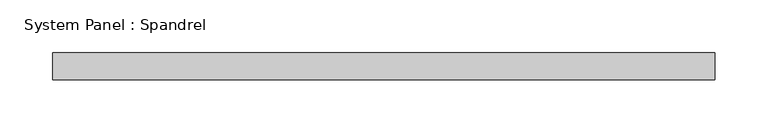
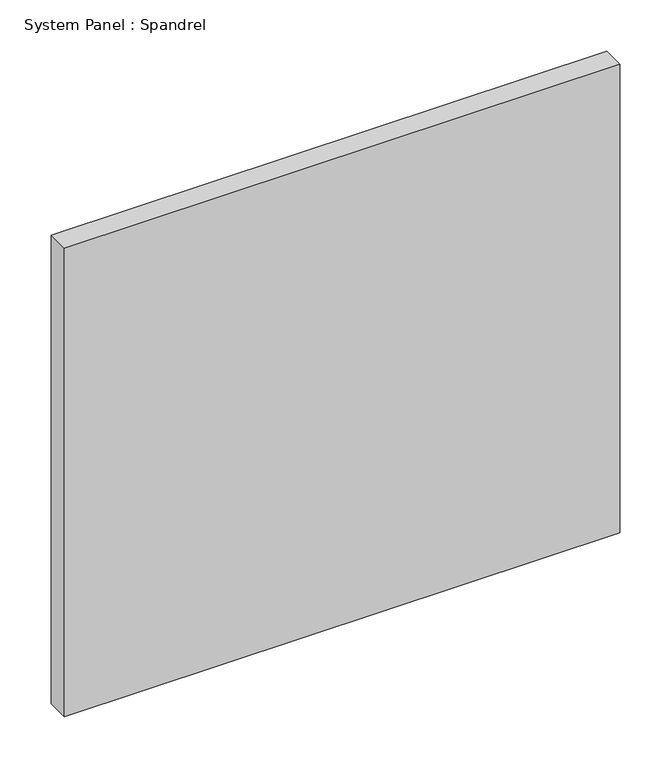
"""IFC4 building model written with IfcOpenShell, lengths in millimetres: plate geometry, System Panel : Spandrel."""

from ifc_helpers import new_model, si_unit, origin, origin_with_axes, place, context, project, spatial, polyline, outline, extrude, source, transform, mapped, element, save


def system_panel_spandrel_f5ea236a(model_context):
    return source(origin(), model_context, "Body", "SweptSolid", [
        extrude(outline(polyline([(313.2666667, -12.7), (-313.2666667, -12.7), (-313.2666667, 12.7), (313.2666667, 12.7), (313.2666667, -12.7)])), origin_with_axes(), (0.0, 0.0, 1.0), 558.8),
    ])


if __name__ == "__main__":
    model = new_model("IFC4")
    model_context = context("Model", 3, world=origin())
    ifc_project = project(units=[si_unit("LENGTHUNIT", "METRE", prefix="MILLI")], contexts=[model_context])
    site = spatial("IfcSite", under=ifc_project)
    building = spatial("IfcBuilding", under=site)
    placement = place(None, origin())
    system_panel_spandrel_shape = system_panel_spandrel_f5ea236a(model_context)
    element("IfcPlate", 1, ObjectType="System Panel : Spandrel", at=placement, inside=building, context=model_context, shape_type="MappedRepresentation", body=[
        mapped(system_panel_spandrel_shape, transform((0.0, 0.0, 0.0), x_axis=(1.0, 0.0, 0.0), y_axis=(0.0, 1.0, 0.0), z_axis=(0.0, 0.0, 1.0))),
    ])
    save(model, "model.ifc")
